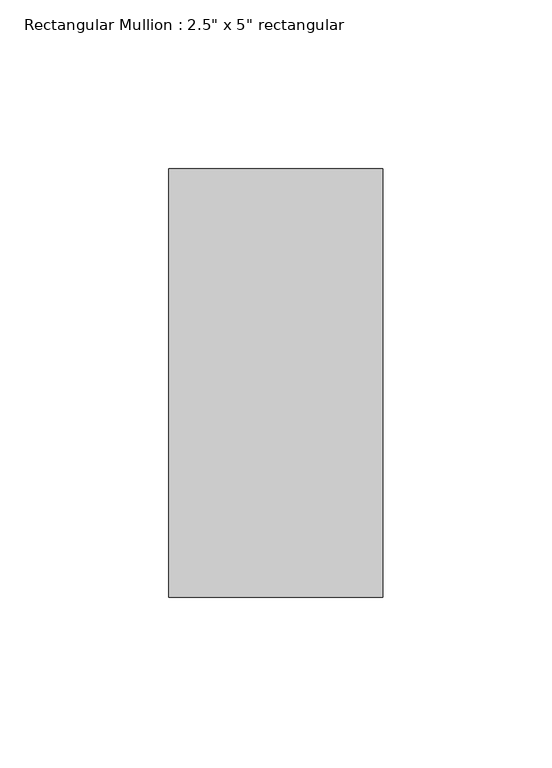
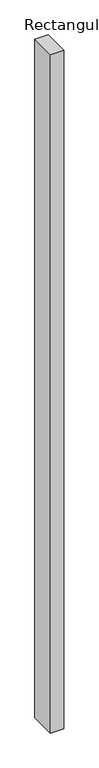
"""IFC4 building model written with IfcOpenShell, lengths in millimetres: member geometry."""

from ifc_helpers import new_model, si_unit, frame, origin, place, context, project, spatial, polyline, outline, extrude, source, transform, mapped, element, save


def member_90530c78(model_context):
    return source(origin(), model_context, "Body", "SweptSolid", [
        extrude(outline(polyline([(0.0, 63.5), (0.0, -63.5), (-63.5, -63.5), (-63.5, 63.5), (0.0, 63.5)])), frame((0.0, 0.0, -3406.9915733), z_axis=(0.0, 0.0, 1.0), x_axis=(1.0, 0.0, 0.0)), (0.0, 0.0, 1.0), 3406.9915733),
    ])


if __name__ == "__main__":
    model = new_model("IFC4")
    model_context = context("Model", 3, world=origin())
    ifc_project = project(units=[si_unit("LENGTHUNIT", "METRE", prefix="MILLI")], contexts=[model_context])
    site = spatial("IfcSite", under=ifc_project)
    building = spatial("IfcBuilding", under=site)
    placement = place(None, origin())
    member_shape = member_90530c78(model_context)
    element("IfcMember", 1, ObjectType="Rectangular Mullion : 2.5\" x 5\" rectangular", at=placement, inside=building, context=model_context, shape_type="MappedRepresentation", body=[
        mapped(member_shape, transform((0.0, 0.0, 0.0), x_axis=(1.0, 0.0, 0.0), y_axis=(0.0, 1.0, 0.0), z_axis=(0.0, 0.0, 1.0))),
    ])
    save(model, "model.ifc")
